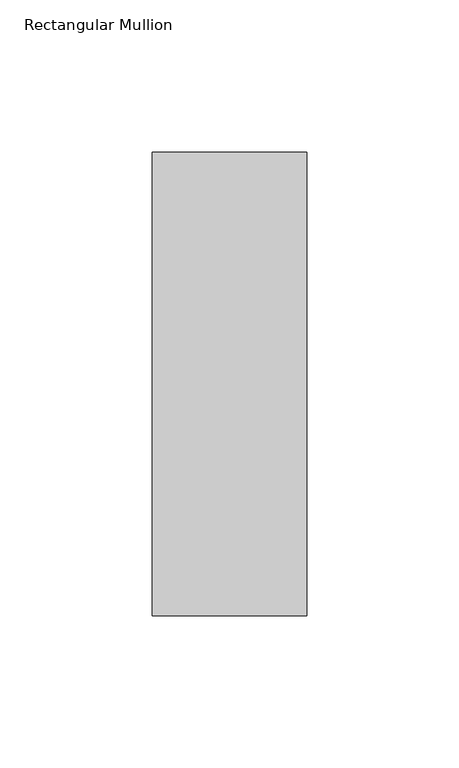
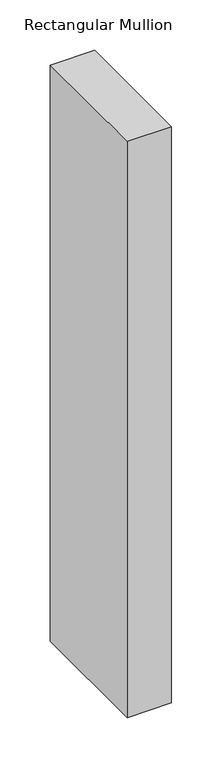
"""IFC4 building model written with IfcOpenShell, lengths in millimetres: member geometry, Rectangular Mullion."""

import ifcopenshell
import ifcopenshell.guid

model = None  # the IFC model being written
_history = None  # IfcOwnerHistory: only IFC2X3 demands one
_inside = {}  # id of a spatial element -> (the spatial element, [elements in it])
_under = {}  # id of a project, library or spatial element -> (it, [spatial elements below it])
_declared = {}  # id of a project -> (the project, [libraries it declares])
_typed = {}  # id of a type object -> (the type object, [elements of that type])
_made_of = {}  # id of a material, layer set ... -> (it, [elements and type objects made of it])


def new_model(schema):
    """Start an empty IFC model of exactly this schema.

    Asked for "IFC4X3", IfcOpenShell would pick the latest addendum, in which some entities
    have other attributes; the version numbers below select the first issue.
    IFC2X3 requires an IfcOwnerHistory on every rooted entity: one is made here for all.
    """
    global model, _history
    if schema == "IFC4X3":
        model = ifcopenshell.file(schema_version=(4, 3, 0, 0))
    else:
        model = ifcopenshell.file(schema=schema)
    _inside.clear()
    _under.clear()
    _declared.clear()
    _typed.clear()
    _made_of.clear()
    _history = None
    if model.schema == "IFC2X3":
        org = make("IfcOrganization", Name="unknown")
        user = make(
            "IfcPersonAndOrganization",
            ThePerson=make("IfcPerson", FamilyName="unknown"),
            TheOrganization=org,
        )
        app = make(
            "IfcApplication",
            ApplicationDeveloper=org,
            Version="unknown",
            ApplicationFullName="unknown",
            ApplicationIdentifier="unknown",
        )
        _history = make(
            "IfcOwnerHistory",
            OwningUser=user,
            OwningApplication=app,
            ChangeAction="ADDED",
            CreationDate=0,
        )
    return model


def make(cls, **values):
    """One entity of the class cls with the attributes given. An attribute that is None is left unset."""
    return model.create_entity(
        cls, **{name: value for name, value in values.items() if value is not None}
    )


def rooted(cls, **values):
    """An entity with a GlobalId (a new one), such as an element, a storey or a relation."""
    return make(cls, GlobalId=ifcopenshell.guid.new(), OwnerHistory=_history, **values)


def si_unit(unit_type, name, prefix=None):
    """IfcSIUnit, for example si_unit("LENGTHUNIT", "METRE", prefix="MILLI")."""
    return make("IfcSIUnit", UnitType=unit_type, Prefix=prefix, Name=name)


def assignment(units):
    """IfcUnitAssignment: the units of a project."""
    return None if units is None else make("IfcUnitAssignment", Units=units)


def point(xyz):
    """IfcCartesianPoint."""
    return None if xyz is None else make("IfcCartesianPoint", Coordinates=xyz)


def direction(xyz):
    """IfcDirection."""
    return None if xyz is None else make("IfcDirection", DirectionRatios=xyz)


def frame(location, z_axis=None, x_axis=None):
    """IfcAxis2Placement3D, a coordinate frame: its origin and axes. An axis left out is left unset."""
    return make(
        "IfcAxis2Placement3D",
        Location=point(location),
        Axis=direction(z_axis),
        RefDirection=direction(x_axis),
    )


def origin():
    """The frame at (0, 0, 0) with its axes left unset."""
    return frame((0.0, 0.0, 0.0))


def place(relative_to, where):
    """IfcLocalPlacement: puts the frame where relative to a parent placement (None: the world)."""
    return make(
        "IfcLocalPlacement", PlacementRelTo=relative_to, RelativePlacement=where
    )


def context(
    kind, dimensions, precision=None, world=None, true_north=None, identifier=None
):
    """IfcGeometricRepresentationContext, for example the 3D "Model" context."""
    return make(
        "IfcGeometricRepresentationContext",
        ContextIdentifier=identifier,
        ContextType=kind,
        CoordinateSpaceDimension=dimensions,
        Precision=precision,
        WorldCoordinateSystem=world,
        TrueNorth=true_north,
    )


def project(units=None, contexts=None):
    """IfcProject with its units and contexts."""
    return rooted(
        "IfcProject",
        Name="project",
        RepresentationContexts=contexts,
        UnitsInContext=assignment(units),
    )


def spatial(cls, under=None, at=None, **own):
    """A site, building, storey or space (cls), placed at a placement, below another one or the project."""
    s = rooted(cls, ObjectPlacement=at, **own)
    if under is not None:
        _under.setdefault(under.id(), (under, []))[1].append(s)
    return s


def polyline(points):
    """IfcPolyline through the points."""
    return make("IfcPolyline", Points=[point(p) for p in points])


def outline(outer, holes=None, kind="AREA"):
    """IfcArbitraryClosedProfileDef: a profile drawn as a closed curve; with holes, ...WithVoids."""
    if holes is None:
        return make("IfcArbitraryClosedProfileDef", ProfileType=kind, OuterCurve=outer)
    return make(
        "IfcArbitraryProfileDefWithVoids",
        ProfileType=kind,
        OuterCurve=outer,
        InnerCurves=holes,
    )


def extrude(swept, where, along, depth):
    """IfcExtrudedAreaSolid: the profile swept, set in the frame where, extruded along a direction by depth."""
    return make(
        "IfcExtrudedAreaSolid",
        SweptArea=swept,
        Position=where,
        ExtrudedDirection=direction(along),
        Depth=depth,
    )


def shape(context_of_items, identifier, shape_type, items):
    """IfcShapeRepresentation: the items that make up one representation, for example the "Body"."""
    return make(
        "IfcShapeRepresentation",
        ContextOfItems=context_of_items,
        RepresentationIdentifier=identifier,
        RepresentationType=shape_type,
        Items=items,
    )


def source(mapping_origin, context_of_items, identifier, shape_type, items):
    """IfcRepresentationMap: a shape defined once, which mapped items show again and again."""
    return make(
        "IfcRepresentationMap",
        MappingOrigin=mapping_origin,
        MappedRepresentation=shape(context_of_items, identifier, shape_type, items),
    )


def transform(
    local_origin,
    x_axis=None,
    y_axis=None,
    z_axis=None,
    scale=None,
    scale2=None,
    scale3=None,
    uniform=True,
):
    """IfcCartesianTransformationOperator3D, or its non-uniform kind. x_axis, y_axis, z_axis: its Axis1, 2, 3."""
    if uniform:
        return make(
            "IfcCartesianTransformationOperator3D",
            Axis1=direction(x_axis),
            Axis2=direction(y_axis),
            LocalOrigin=point(local_origin),
            Scale=scale,
            Axis3=direction(z_axis),
        )
    return make(
        "IfcCartesianTransformationOperator3DnonUniform",
        Axis1=direction(x_axis),
        Axis2=direction(y_axis),
        LocalOrigin=point(local_origin),
        Scale=scale,
        Axis3=direction(z_axis),
        Scale2=scale2,
        Scale3=scale3,
    )


def mapped(mapping_source, mapping_target):
    """IfcMappedItem: shows the shape of a source again, moved by a transform."""
    return make(
        "IfcMappedItem", MappingSource=mapping_source, MappingTarget=mapping_target
    )


def made_of(thing, what):
    """Note that an element or type object is made of a material, layer set ...; save() writes the relation."""
    if what is not None:
        _made_of.setdefault(what.id(), (what, []))[1].append(thing)
    return thing


def element(
    cls,
    number,
    at=None,
    inside=None,
    cuts=None,
    type_object=None,
    material=None,
    context=None,
    identifier="Body",
    shape_type=None,
    held_by="IfcProductDefinitionShape",
    body=None,
    shapes=None,
    **own,
):
    """One element of the class cls, such as IfcWall. Its Tag is "e" and its number.

    at: its placement. inside: the storey or other place that contains it. cuts: it is an
    opening in that element (IfcRelVoidsElement). A single representation is given by context,
    identifier, shape_type and body (its items); several are given by shapes. held_by: the class
    of the entity that holds the representations. save() writes the other relations.
    """
    e = rooted(cls, Tag="e%d" % number, ObjectPlacement=at, **own)
    if body is not None:
        shapes = [shape(context, identifier, shape_type, body)]
    if shapes is not None:
        e.Representation = make(held_by, Representations=shapes)
    if inside is not None:
        _inside.setdefault(inside.id(), (inside, []))[1].append(e)
    if cuts is not None:
        rooted(
            "IfcRelVoidsElement", RelatingBuildingElement=cuts, RelatedOpeningElement=e
        )
    if type_object is not None:
        _typed.setdefault(type_object.id(), (type_object, []))[1].append(e)
    return made_of(e, material)


def aggregate(whole, parts):
    """IfcRelAggregates: a whole, such as a stair, and the parts it consists of."""
    return rooted("IfcRelAggregates", RelatingObject=whole, RelatedObjects=parts)


def save(model, path):
    """Write the relations noted so far, then the file.

    IfcRelAggregates (storeys below a building ...), IfcRelContainedInSpatialStructure (elements
    in a storey), IfcRelDefinesByType, IfcRelAssociatesMaterial and IfcRelDeclares: one each for
    every whole, place, type object, material and project.
    """
    for whole, parts in _under.values():
        aggregate(whole, parts)
    for where, things in _inside.values():
        rooted(
            "IfcRelContainedInSpatialStructure",
            RelatedElements=things,
            RelatingStructure=where,
        )
    for kind, things in _typed.values():
        rooted("IfcRelDefinesByType", RelatedObjects=things, RelatingType=kind)
    for what, things in _made_of.values():
        rooted("IfcRelAssociatesMaterial", RelatedObjects=things, RelatingMaterial=what)
    for by, libraries in _declared.values():
        rooted("IfcRelDeclares", RelatingContext=by, RelatedDefinitions=libraries)
    model.write(path)


def rectangular_mullion_f11b0790(model_context):
    return source(origin(), model_context, "Body", "SweptSolid", [
        extrude(outline(polyline([(0.0, 26.19375), (0.0, -126.20625), (-50.8, -126.20625), (-50.8, 26.19375), (0.0, 26.19375)])), frame((0.0, 0.0, -698.5), z_axis=(0.0, 0.0, 1.0), x_axis=(1.0, 0.0, 0.0)), (0.0, 0.0, 1.0), 698.5),
    ])


if __name__ == "__main__":
    model = new_model("IFC4")
    model_context = context("Model", 3, world=origin())
    ifc_project = project(units=[si_unit("LENGTHUNIT", "METRE", prefix="MILLI")], contexts=[model_context])
    site = spatial("IfcSite", under=ifc_project)
    building = spatial("IfcBuilding", under=site)
    placement = place(None, origin())
    rectangular_mullion_shape = rectangular_mullion_f11b0790(model_context)
    element("IfcMember", 1, ObjectType="Rectangular Mullion", at=placement, inside=building, context=model_context, shape_type="MappedRepresentation", body=[
        mapped(rectangular_mullion_shape, transform((0.0, 0.0, 0.0), x_axis=(1.0, 0.0, 0.0), y_axis=(0.0, 1.0, 0.0), z_axis=(0.0, 0.0, 1.0))),
    ])
    save(model, "model.ifc")
